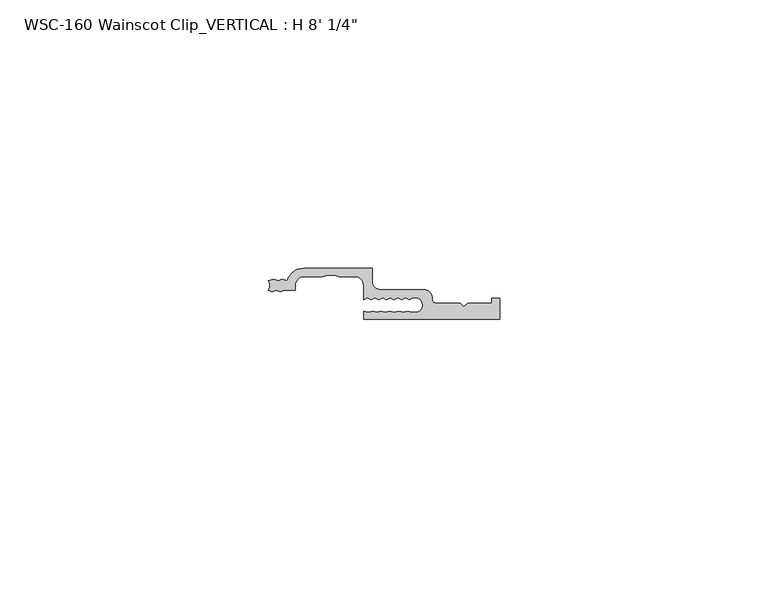
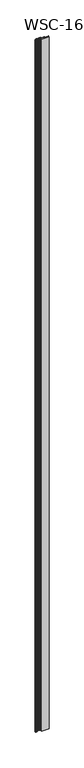
"""IFC4 building model written with IfcOpenShell, lengths in millimetres: proxy geometry."""

import ifcopenshell
import ifcopenshell.guid

model = None  # the IFC model being written
_history = None  # IfcOwnerHistory: only IFC2X3 demands one
_inside = {}  # id of a spatial element -> (the spatial element, [elements in it])
_under = {}  # id of a project, library or spatial element -> (it, [spatial elements below it])
_declared = {}  # id of a project -> (the project, [libraries it declares])
_typed = {}  # id of a type object -> (the type object, [elements of that type])
_made_of = {}  # id of a material, layer set ... -> (it, [elements and type objects made of it])


def new_model(schema):
    """Start an empty IFC model of exactly this schema.

    Asked for "IFC4X3", IfcOpenShell would pick the latest addendum, in which some entities
    have other attributes; the version numbers below select the first issue.
    IFC2X3 requires an IfcOwnerHistory on every rooted entity: one is made here for all.
    """
    global model, _history
    if schema == "IFC4X3":
        model = ifcopenshell.file(schema_version=(4, 3, 0, 0))
    else:
        model = ifcopenshell.file(schema=schema)
    _inside.clear()
    _under.clear()
    _declared.clear()
    _typed.clear()
    _made_of.clear()
    _history = None
    if model.schema == "IFC2X3":
        org = make("IfcOrganization", Name="unknown")
        user = make(
            "IfcPersonAndOrganization",
            ThePerson=make("IfcPerson", FamilyName="unknown"),
            TheOrganization=org,
        )
        app = make(
            "IfcApplication",
            ApplicationDeveloper=org,
            Version="unknown",
            ApplicationFullName="unknown",
            ApplicationIdentifier="unknown",
        )
        _history = make(
            "IfcOwnerHistory",
            OwningUser=user,
            OwningApplication=app,
            ChangeAction="ADDED",
            CreationDate=0,
        )
    return model


def make(cls, **values):
    """One entity of the class cls with the attributes given. An attribute that is None is left unset."""
    return model.create_entity(
        cls, **{name: value for name, value in values.items() if value is not None}
    )


def rooted(cls, **values):
    """An entity with a GlobalId (a new one), such as an element, a storey or a relation."""
    return make(cls, GlobalId=ifcopenshell.guid.new(), OwnerHistory=_history, **values)


def si_unit(unit_type, name, prefix=None):
    """IfcSIUnit, for example si_unit("LENGTHUNIT", "METRE", prefix="MILLI")."""
    return make("IfcSIUnit", UnitType=unit_type, Prefix=prefix, Name=name)


def assignment(units):
    """IfcUnitAssignment: the units of a project."""
    return None if units is None else make("IfcUnitAssignment", Units=units)


def point(xyz):
    """IfcCartesianPoint."""
    return None if xyz is None else make("IfcCartesianPoint", Coordinates=xyz)


def direction(xyz):
    """IfcDirection."""
    return None if xyz is None else make("IfcDirection", DirectionRatios=xyz)


def frame(location, z_axis=None, x_axis=None):
    """IfcAxis2Placement3D, a coordinate frame: its origin and axes. An axis left out is left unset."""
    return make(
        "IfcAxis2Placement3D",
        Location=point(location),
        Axis=direction(z_axis),
        RefDirection=direction(x_axis),
    )


def origin():
    """The frame at (0, 0, 0) with its axes left unset."""
    return frame((0.0, 0.0, 0.0))


def place(relative_to, where):
    """IfcLocalPlacement: puts the frame where relative to a parent placement (None: the world)."""
    return make(
        "IfcLocalPlacement", PlacementRelTo=relative_to, RelativePlacement=where
    )


def context(
    kind, dimensions, precision=None, world=None, true_north=None, identifier=None
):
    """IfcGeometricRepresentationContext, for example the 3D "Model" context."""
    return make(
        "IfcGeometricRepresentationContext",
        ContextIdentifier=identifier,
        ContextType=kind,
        CoordinateSpaceDimension=dimensions,
        Precision=precision,
        WorldCoordinateSystem=world,
        TrueNorth=true_north,
    )


def project(units=None, contexts=None):
    """IfcProject with its units and contexts."""
    return rooted(
        "IfcProject",
        Name="project",
        RepresentationContexts=contexts,
        UnitsInContext=assignment(units),
    )


def spatial(cls, under=None, at=None, **own):
    """A site, building, storey or space (cls), placed at a placement, below another one or the project."""
    s = rooted(cls, ObjectPlacement=at, **own)
    if under is not None:
        _under.setdefault(under.id(), (under, []))[1].append(s)
    return s


def polyline(points):
    """IfcPolyline through the points."""
    return make("IfcPolyline", Points=[point(p) for p in points])


def circle_curve(where, radius):
    """IfcCircle in the frame where."""
    return make("IfcCircle", Position=where, Radius=radius)


def shape(context_of_items, identifier, shape_type, items):
    """IfcShapeRepresentation: the items that make up one representation, for example the "Body"."""
    return make(
        "IfcShapeRepresentation",
        ContextOfItems=context_of_items,
        RepresentationIdentifier=identifier,
        RepresentationType=shape_type,
        Items=items,
    )


def source(mapping_origin, context_of_items, identifier, shape_type, items):
    """IfcRepresentationMap: a shape defined once, which mapped items show again and again."""
    return make(
        "IfcRepresentationMap",
        MappingOrigin=mapping_origin,
        MappedRepresentation=shape(context_of_items, identifier, shape_type, items),
    )


def transform(
    local_origin,
    x_axis=None,
    y_axis=None,
    z_axis=None,
    scale=None,
    scale2=None,
    scale3=None,
    uniform=True,
):
    """IfcCartesianTransformationOperator3D, or its non-uniform kind. x_axis, y_axis, z_axis: its Axis1, 2, 3."""
    if uniform:
        return make(
            "IfcCartesianTransformationOperator3D",
            Axis1=direction(x_axis),
            Axis2=direction(y_axis),
            LocalOrigin=point(local_origin),
            Scale=scale,
            Axis3=direction(z_axis),
        )
    return make(
        "IfcCartesianTransformationOperator3DnonUniform",
        Axis1=direction(x_axis),
        Axis2=direction(y_axis),
        LocalOrigin=point(local_origin),
        Scale=scale,
        Axis3=direction(z_axis),
        Scale2=scale2,
        Scale3=scale3,
    )


def mapped(mapping_source, mapping_target):
    """IfcMappedItem: shows the shape of a source again, moved by a transform."""
    return make(
        "IfcMappedItem", MappingSource=mapping_source, MappingTarget=mapping_target
    )


def made_of(thing, what):
    """Note that an element or type object is made of a material, layer set ...; save() writes the relation."""
    if what is not None:
        _made_of.setdefault(what.id(), (what, []))[1].append(thing)
    return thing


def element(
    cls,
    number,
    at=None,
    inside=None,
    cuts=None,
    type_object=None,
    material=None,
    context=None,
    identifier="Body",
    shape_type=None,
    held_by="IfcProductDefinitionShape",
    body=None,
    shapes=None,
    **own,
):
    """One element of the class cls, such as IfcWall. Its Tag is "e" and its number.

    at: its placement. inside: the storey or other place that contains it. cuts: it is an
    opening in that element (IfcRelVoidsElement). A single representation is given by context,
    identifier, shape_type and body (its items); several are given by shapes. held_by: the class
    of the entity that holds the representations. save() writes the other relations.
    """
    e = rooted(cls, Tag="e%d" % number, ObjectPlacement=at, **own)
    if body is not None:
        shapes = [shape(context, identifier, shape_type, body)]
    if shapes is not None:
        e.Representation = make(held_by, Representations=shapes)
    if inside is not None:
        _inside.setdefault(inside.id(), (inside, []))[1].append(e)
    if cuts is not None:
        rooted(
            "IfcRelVoidsElement", RelatingBuildingElement=cuts, RelatedOpeningElement=e
        )
    if type_object is not None:
        _typed.setdefault(type_object.id(), (type_object, []))[1].append(e)
    return made_of(e, material)


def aggregate(whole, parts):
    """IfcRelAggregates: a whole, such as a stair, and the parts it consists of."""
    return rooted("IfcRelAggregates", RelatingObject=whole, RelatedObjects=parts)


def save(model, path):
    """Write the relations noted so far, then the file.

    IfcRelAggregates (storeys below a building ...), IfcRelContainedInSpatialStructure (elements
    in a storey), IfcRelDefinesByType, IfcRelAssociatesMaterial and IfcRelDeclares: one each for
    every whole, place, type object, material and project.
    """
    for whole, parts in _under.values():
        aggregate(whole, parts)
    for where, things in _inside.values():
        rooted(
            "IfcRelContainedInSpatialStructure",
            RelatedElements=things,
            RelatingStructure=where,
        )
    for kind, things in _typed.values():
        rooted("IfcRelDefinesByType", RelatedObjects=things, RelatingType=kind)
    for what, things in _made_of.values():
        rooted("IfcRelAssociatesMaterial", RelatedObjects=things, RelatingMaterial=what)
    for by, libraries in _declared.values():
        rooted("IfcRelDeclares", RelatingContext=by, RelatedDefinitions=libraries)
    model.write(path)


def plane_surface(at):
    """IfcPlane: the flat surface through the origin of the frame at, square to its z axis."""
    return make("IfcPlane", Position=at)


def cylinder_surface(at, radius):
    """IfcCylindricalSurface: all points at the distance radius from the z axis of the frame at."""
    return make("IfcCylindricalSurface", Position=at, Radius=radius)


def revolved_surface(curve, axis_point, axis_direction):
    """IfcSurfaceOfRevolution: the curve turned about the line through axis_point along axis_direction."""
    return make(
        "IfcSurfaceOfRevolution",
        SweptCurve=make("IfcArbitraryOpenProfileDef", ProfileType="CURVE", Curve=curve),
        AxisPosition=make("IfcAxis1Placement", Location=point(axis_point), Axis=direction(axis_direction)),
    )


def advanced_brep(points, edges, surfaces, faces):
    """IfcAdvancedBrep: a solid bounded by faces that lie on surfaces and meet in shared edges.

    An edge is (start, end): straight between two places in points (the first is 0);
    or (start, end, curve); or (start, end, curve, False) where it runs against its curve.
    A face is (place in surfaces, loops), or (place, loops, False) where it looks against
    its surface's normal. A loop lists edges by number (the first is 1), with a minus sign
    where the edge is run from its end to its start. The first loop is the outer one.
    """
    corners = [point(p) for p in points]
    vertices = [make("IfcVertexPoint", VertexGeometry=c) for c in corners]
    made = []
    for start, end, *more in edges:
        made.append(
            make(
                "IfcEdgeCurve",
                EdgeStart=vertices[start],
                EdgeEnd=vertices[end],
                EdgeGeometry=more[0] if more else make("IfcPolyline", Points=[corners[start], corners[end]]),
                SameSense=more[1] if len(more) > 1 else True,
            )
        )
    hull = []
    for where, loops, *sense in faces:
        bounds = []
        for j, loop in enumerate(loops):
            ring = [make("IfcOrientedEdge", EdgeElement=made[abs(k) - 1], Orientation=k > 0) for k in loop]
            bounds.append(
                make(
                    "IfcFaceOuterBound" if j == 0 else "IfcFaceBound",
                    Bound=make("IfcEdgeLoop", EdgeList=ring),
                    Orientation=True,
                )
            )
        hull.append(make("IfcAdvancedFace", Bounds=bounds, FaceSurface=surfaces[where], SameSense=sense[0] if sense else True))
    return make("IfcAdvancedBrep", Outer=make("IfcClosedShell", CfsFaces=hull))


def proxy_b37ad6da(model_context):
    return source(origin(), model_context, "Body", "AdvancedBrep", [
        advanced_brep(
        [(19.3527196, -2.3858534, 2444.75), (19.3527196, 0.0, 2444.75), (6.6110997, 0.0, 2444.75), (3.5492465, -2.3349522, 2444.75), (2.567898, -2.0809522, 2444.75), (1.8230991, -2.3349522, 2444.75), (1.0576115, -2.0809522, 2444.75), (0.0, -2.3329752, 2444.75), (0.0013765, -4.1129522, 2444.75), (0.7668641, -4.3669522, 2444.75), (1.511663, -4.1129522, 2444.75), (2.2771506, -4.3669522, 2444.75), (3.0219495, -4.1129522, 2444.75), (5.0235997, -4.1129522, 2444.75), (5.0235997, -3.175, 2444.75), (6.6110997, -1.5875, 2444.75), (10.0469595, -1.5875, 2444.75), (11.1065513, -1.3035832, 2444.75), (12.4419045, -1.3035832, 2444.75), (13.2219595, -1.5875, 2444.75), (16.1904196, -1.5875, 2444.75), (17.7652196, -3.1623, 2444.75), (17.7673134, -5.8629506, 2444.75), (18.4751705, -5.5328714, 2444.75), (19.1830276, -5.8629506, 2444.75), (19.8908847, -5.5328714, 2444.75), (20.5987418, -5.8629506, 2444.75), (21.3065989, -5.5328714, 2444.75), (22.014456, -5.8629506, 2444.75), (22.7223131, -5.5328714, 2444.75), (23.4301702, -5.8629506, 2444.75), (24.1380273, -5.5328714, 2444.75), (24.8458843, -5.8629506, 2444.75), (25.5537414, -5.5328714, 2444.75), (26.2615985, -5.8629506, 2444.75), (26.9694556, -5.5328714, 2444.75), (27.8534345, -5.5328714, 2444.75), (27.7345587, -8.2409572, 2444.75), (26.811414, -8.2409572, 2444.75), (26.0480054, -8.050618, 2444.75), (25.2570907, -8.2409572, 2444.75), (24.3616154, -8.050618, 2444.75), (23.4471827, -8.2409572, 2444.75), (22.6837742, -8.050618, 2444.75), (21.7693414, -8.2409572, 2444.75), (21.0059329, -8.050618, 2444.75), (20.2150181, -8.2409572, 2444.75), (19.4516096, -8.050618, 2444.75), (18.6606948, -8.2409572, 2444.75), (17.7652196, -8.050618, 2444.75), (17.7652196, -9.525, 2444.75), (43.1624591, -9.525, 2444.75), (43.1624591, -5.6374865, 2444.75), (41.6296977, -5.6374865, 2444.75), (41.6296977, -6.5278, 2444.75), (37.1791349, -6.5278, 2444.75), (36.4883201, -7.2186149, 2444.75), (35.7975052, -6.5278, 2444.75), (31.3376051, -6.5278, 2444.75), (30.5425851, -5.73278, 2444.75), (28.9644224, -3.9733534, 2444.75), (20.9402196, -3.9733534, 2444.75), (19.3527196, -2.3858534, 0.0), (20.9402196, -3.9733534, 0.0), (28.9644224, -3.9733534, 0.0), (30.5425851, -5.73278, 0.0), (31.3376051, -6.5278, 0.0), (35.7975052, -6.5278, 0.0), (36.4883201, -7.2186149, 0.0), (37.1791349, -6.5278, 0.0), (41.6296977, -6.5278, 0.0), (41.6296977, -5.6374865, 0.0), (43.1624591, -5.6374865, 0.0), (43.1624591, -9.525, 0.0), (17.7652196, -9.525, 0.0), (17.7652196, -8.050618, 0.0), (18.6606948, -8.2409572, 0.0), (19.4516096, -8.050618, 0.0), (20.2150181, -8.2409572, 0.0), (21.0059329, -8.050618, 0.0), (21.7693414, -8.2409572, 0.0), (22.6837742, -8.050618, 0.0), (23.4471827, -8.2409572, 0.0), (24.3616154, -8.050618, 0.0), (25.2570907, -8.2409572, 0.0), (26.0480054, -8.050618, 0.0), (26.811414, -8.2409572, 0.0), (27.7345587, -8.2409572, 0.0), (27.8534345, -5.5328714, 0.0), (26.9694556, -5.5328714, 0.0), (26.2615985, -5.8629506, 0.0), (25.5537414, -5.5328714, 0.0), (24.8458843, -5.8629506, 0.0), (24.1380273, -5.5328714, 0.0), (23.4301702, -5.8629506, 0.0), (22.7223131, -5.5328714, 0.0), (22.014456, -5.8629506, 0.0), (21.3065989, -5.5328714, 0.0), (20.5987418, -5.8629506, 0.0), (19.8908847, -5.5328714, 0.0), (19.1830276, -5.8629506, 0.0), (18.4751705, -5.5328714, 0.0), (17.7673134, -5.8629506, 0.0), (17.7673134, -3.1623, 0.0), (16.1904196, -1.5875, 0.0), (13.2219595, -1.5875, 0.0), (12.4419045, -1.3035832, 0.0), (11.1065513, -1.3035832, 0.0), (10.0469595, -1.5875, 0.0), (6.6110997, -1.5875, 0.0), (5.0235997, -3.175, 0.0), (5.0235997, -4.1129522, 0.0), (3.0219495, -4.1129522, 0.0), (2.2771506, -4.3669522, 0.0), (1.511663, -4.1129522, 0.0), (0.7668641, -4.3669522, 0.0), (0.0013765, -4.1129522, 0.0), (0.0, -2.3329752, 0.0), (1.0576115, -2.0809522, 0.0), (1.8230991, -2.3349522, 0.0), (2.567898, -2.0809522, 0.0), (3.5492465, -2.3349522, 0.0), (6.6110997, 0.0, 0.0), (19.3527196, 0.0, 0.0)],
        [
            (0, 1),
            (1, 2),
            (2, 3, circle_curve(frame((6.6110997, -3.175, 2444.75), z_axis=(0.0, 0.0, 1.0), x_axis=(0.0, 1.0, 0.0)), 3.175)),
            (3, 4),
            (4, 5),
            (5, 6),
            (6, 7),
            (7, 8, circle_curve(frame((-1.2776108, -3.2239522, 2444.75), z_axis=(0.0, 0.0, -1.0), x_axis=(0.0, 1.0, 0.0)), 1.5576038)),
            (8, 9),
            (9, 10),
            (10, 11),
            (11, 12),
            (12, 13),
            (13, 14),
            (14, 15, circle_curve(frame((6.6110997, -3.175, 2444.75), z_axis=(0.0, 0.0, -1.0), x_axis=(0.0, 1.0, 0.0)), 1.5875)),
            (15, 16),
            (16, 17),
            (17, 18),
            (18, 19),
            (19, 20),
            (20, 21, circle_curve(frame((16.1904196, -3.1623, 2444.75), z_axis=(0.0, 0.0, -1.0), x_axis=(0.0, 1.0, 0.0)), 1.5748)),
            (21, 22),
            (22, 23),
            (23, 24),
            (24, 25),
            (25, 26),
            (26, 27),
            (27, 28),
            (28, 29),
            (29, 30),
            (30, 31),
            (31, 32),
            (32, 33),
            (33, 34),
            (34, 35),
            (35, 36),
            (36, 37, circle_curve(frame((27.3609593, -6.8679054, 2444.75), z_axis=(0.0, 0.0, -1.0), x_axis=(0.0, 1.0, 0.0)), 1.4229714)),
            (37, 38),
            (38, 39),
            (39, 40),
            (40, 41),
            (41, 42),
            (42, 43),
            (43, 44),
            (44, 45),
            (45, 46),
            (46, 47),
            (47, 48),
            (48, 49),
            (49, 50),
            (50, 51),
            (51, 52),
            (52, 53),
            (53, 54),
            (54, 55),
            (55, 56),
            (56, 57),
            (57, 58),
            (58, 59, circle_curve(frame((31.3376051, -5.73278, 2444.75), z_axis=(0.0, 0.0, -1.0), x_axis=(0.0, 1.0, 0.0)), 0.79502)),
            (59, 60, circle_curve(frame((28.9644224, -5.5608534, 2444.75), z_axis=(0.0, 0.0, 1.0), x_axis=(0.0, 1.0, 0.0)), 1.5875)),
            (60, 61),
            (61, 0, circle_curve(frame((20.9402196, -2.3858534, 2444.75), z_axis=(0.0, 0.0, -1.0), x_axis=(0.0, 1.0, 0.0)), 1.5875)),
            (62, 63, circle_curve(frame((20.9402196, -2.3858534, 0.0), z_axis=(0.0, 0.0, 1.0), x_axis=(0.0, 1.0, 0.0)), 1.5875)),
            (63, 64),
            (64, 65, circle_curve(frame((28.9644224, -5.5608534, 0.0), z_axis=(0.0, 0.0, -1.0), x_axis=(0.0, 1.0, 0.0)), 1.5875)),
            (65, 66, circle_curve(frame((31.3376051, -5.73278, 0.0), z_axis=(0.0, 0.0, 1.0), x_axis=(0.0, 1.0, 0.0)), 0.79502)),
            (66, 67),
            (67, 68),
            (68, 69),
            (69, 70),
            (70, 71),
            (71, 72),
            (72, 73),
            (73, 74),
            (74, 75),
            (75, 76),
            (76, 77),
            (77, 78),
            (78, 79),
            (79, 80),
            (80, 81),
            (81, 82),
            (82, 83),
            (83, 84),
            (84, 85),
            (85, 86),
            (86, 87),
            (87, 88, circle_curve(frame((27.3609593, -6.8679054, 0.0), z_axis=(0.0, 0.0, 1.0), x_axis=(0.0, 1.0, 0.0)), 1.4229714)),
            (88, 89),
            (89, 90),
            (90, 91),
            (91, 92),
            (92, 93),
            (93, 94),
            (94, 95),
            (95, 96),
            (96, 97),
            (97, 98),
            (98, 99),
            (99, 100),
            (100, 101),
            (101, 102),
            (102, 103),
            (103, 104, circle_curve(frame((16.1904196, -3.1623, 0.0), z_axis=(0.0, 0.0, 1.0), x_axis=(0.0, 1.0, 0.0)), 1.5748)),
            (104, 105),
            (105, 106),
            (106, 107),
            (107, 108),
            (108, 109),
            (109, 110, circle_curve(frame((6.6110997, -3.175, 0.0), z_axis=(0.0, 0.0, 1.0), x_axis=(0.0, 1.0, 0.0)), 1.5875)),
            (110, 111),
            (111, 112),
            (112, 113),
            (113, 114),
            (114, 115),
            (115, 116),
            (116, 117, circle_curve(frame((-1.2776108, -3.2239522, 0.0), z_axis=(0.0, 0.0, 1.0), x_axis=(0.0, 1.0, 0.0)), 1.5576038)),
            (117, 118),
            (118, 119),
            (119, 120),
            (120, 121),
            (121, 122, circle_curve(frame((6.6110997, -3.175, 0.0), z_axis=(0.0, 0.0, -1.0), x_axis=(0.0, 1.0, 0.0)), 3.175)),
            (122, 123),
            (123, 62),
            (0, 62),
            (123, 1),
            (122, 2),
            (121, 3),
            (120, 4),
            (119, 5),
            (118, 6),
            (117, 7),
            (116, 8),
            (115, 9),
            (114, 10),
            (113, 11),
            (112, 12),
            (111, 13),
            (110, 14),
            (109, 15),
            (108, 16),
            (107, 17),
            (106, 18),
            (105, 19),
            (104, 20),
            (103, 21),
            (102, 22),
            (101, 23),
            (100, 24),
            (99, 25),
            (98, 26),
            (97, 27),
            (96, 28),
            (95, 29),
            (94, 30),
            (93, 31),
            (92, 32),
            (91, 33),
            (90, 34),
            (89, 35),
            (88, 36),
            (87, 37),
            (86, 38),
            (85, 39),
            (84, 40),
            (83, 41),
            (82, 42),
            (81, 43),
            (80, 44),
            (79, 45),
            (78, 46),
            (77, 47),
            (76, 48),
            (75, 49),
            (74, 50),
            (73, 51),
            (72, 52),
            (71, 53),
            (70, 54),
            (69, 55),
            (68, 56),
            (67, 57),
            (66, 58),
            (65, 59),
            (64, 60),
            (63, 61),
        ],
        [
            plane_surface(frame((19.3527196, -2.3858534, 2444.75), z_axis=(0.0, 0.0, 1.0), x_axis=(0.0, 1.0, 0.0))),
            plane_surface(frame((19.3527196, -2.3858534, 0.0), z_axis=(0.0, 0.0, -1.0), x_axis=(0.0, -1.0, 0.0))),
            plane_surface(frame((19.3527196, -2.3858534, 2444.75), z_axis=(1.0, 0.0, 0.0), x_axis=(0.0, 0.0, -1.0))),
            plane_surface(frame((19.3527196, 0.0, 2444.75), z_axis=(0.0, 1.0, 0.0), x_axis=(0.0, 0.0, -1.0))),
            cylinder_surface(frame((6.6110997, -3.175, 0.0), z_axis=(0.0, 0.0, 1.0), x_axis=(0.0, 1.0, 0.0)), 3.175),
            plane_surface(frame((3.5492465, -2.3349522, 2444.75), z_axis=(0.25057050593808355, 0.9680983532440972, 0.0), x_axis=(0.0, 0.0, -1.0))),
            plane_surface(frame((2.567898, -2.0809522, 2444.75), z_axis=(-0.3227778502571081, 0.9464747536957339, 0.0), x_axis=(0.0, 0.0, -1.0))),
            plane_surface(frame((1.8230991, -2.3349522, 2444.75), z_axis=(0.3149302039794361, 0.949114833211172, 0.0), x_axis=(0.0, 0.0, -1.0))),
            plane_surface(frame((1.0576115, -2.0809522, 2444.75), z_axis=(-0.231803891648194, 0.9727625382470032, 0.0), x_axis=(0.0, 0.0, -1.0))),
            revolved_surface(polyline([(-1.2776108, -1.6663483999999997, 0.0), (-1.2776108, -1.6663483999999997, 2444.75)]), (-1.2776108, -3.2239522, 0.0), (0.0, 0.0, -1.0)),
            plane_surface(frame((0.0013765, -4.1129522, 2444.75), z_axis=(-0.3149302039794331, -0.949114833211173, 0.0), x_axis=(0.0, 0.0, -1.0))),
            plane_surface(frame((0.7668641, -4.3669522, 2444.75), z_axis=(0.3227778502571087, -0.9464747536957336, 0.0), x_axis=(0.0, 0.0, -1.0))),
            plane_surface(frame((1.511663, -4.1129522, 2444.75), z_axis=(-0.31493020397943033, -0.949114833211174, 0.0), x_axis=(0.0, 0.0, -1.0))),
            plane_surface(frame((2.2771506, -4.3669522, 2444.75), z_axis=(0.3227778502571061, -0.9464747536957345, 0.0), x_axis=(0.0, 0.0, -1.0))),
            plane_surface(frame((3.0219495, -4.1129522, 2444.75), z_axis=(0.0, -1.0, 0.0), x_axis=(0.0, 0.0, -1.0))),
            plane_surface(frame((5.0235997, -4.1129522, 2444.75), z_axis=(1.0, 0.0, 0.0), x_axis=(0.0, 0.0, -1.0))),
            revolved_surface(polyline([(6.6110997, -1.5875, 0.0), (6.6110997, -1.5875, 2444.75)]), (6.6110997, -3.175, 0.0), (0.0, 0.0, -1.0)),
            plane_surface(frame((6.6110997, -1.5875, 2444.75), z_axis=(0.0, -1.0, 0.0), x_axis=(0.0, 0.0, -1.0))),
            plane_surface(frame((10.0469595, -1.5875, 2444.75), z_axis=(0.2588190451025237, -0.9659258262890675, 0.0), x_axis=(0.0, 0.0, -1.0))),
            plane_surface(frame((11.1065513, -1.3035832, 2444.75), z_axis=(0.0, -1.0, 0.0), x_axis=(0.0, 0.0, -1.0))),
            plane_surface(frame((12.4419045, -1.3035832, 2444.75), z_axis=(-0.3420201433256663, -0.9396926207859093, 0.0), x_axis=(0.0, 0.0, -1.0))),
            plane_surface(frame((13.2219595, -1.5875, 2444.75), z_axis=(0.0, -1.0, 0.0), x_axis=(0.0, 0.0, -1.0))),
            revolved_surface(polyline([(16.1904196, -1.5875000000000001, 0.0), (16.1904196, -1.5875000000000001, 2444.75)]), (16.1904196, -3.1623, 0.0), (0.0, 0.0, -1.0)),
            plane_surface(frame((17.7673134, -3.1623, 2444.75), z_axis=(-1.0, 0.0, 0.0), x_axis=(0.0, 0.0, -1.0))),
            plane_surface(frame((17.7673134, -5.8629506, 2444.75), z_axis=(0.42261826174070705, -0.9063077870366465, 0.0), x_axis=(0.0, 0.0, -1.0))),
            plane_surface(frame((18.4751705, -5.5328714, 2444.75), z_axis=(-0.42261826174069606, -0.9063077870366516, 0.0), x_axis=(0.0, 0.0, -1.0))),
            plane_surface(frame((19.1830276, -5.8629506, 2444.75), z_axis=(0.4226182617407084, -0.9063077870366458, 0.0), x_axis=(0.0, 0.0, -1.0))),
            plane_surface(frame((19.8908847, -5.5328714, 2444.75), z_axis=(-0.4226182617406927, -0.9063077870366532, 0.0), x_axis=(0.0, 0.0, -1.0))),
            plane_surface(frame((20.5987418, -5.8629506, 2444.75), z_axis=(0.422618261740703, -0.9063077870366484, 0.0), x_axis=(0.0, 0.0, -1.0))),
            plane_surface(frame((21.3065989, -5.5328714, 2444.75), z_axis=(-0.4226182617406906, -0.9063077870366542, 0.0), x_axis=(0.0, 0.0, -1.0))),
            plane_surface(frame((22.014456, -5.8629506, 2444.75), z_axis=(0.4226182617407052, -0.9063077870366474, 0.0), x_axis=(0.0, 0.0, -1.0))),
            plane_surface(frame((22.7223131, -5.5328714, 2444.75), z_axis=(-0.4226182617406891, -0.9063077870366548, 0.0), x_axis=(0.0, 0.0, -1.0))),
            plane_surface(frame((23.4301702, -5.8629506, 2444.75), z_axis=(0.4226182617407021, -0.9063077870366487, 0.0), x_axis=(0.0, 0.0, -1.0))),
            plane_surface(frame((24.1380273, -5.5328714, 2444.75), z_axis=(-0.422618261740684, -0.9063077870366572, 0.0), x_axis=(0.0, 0.0, -1.0))),
            plane_surface(frame((24.8458843, -5.8629506, 2444.75), z_axis=(0.4226182617407038, -0.9063077870366479, 0.0), x_axis=(0.0, 0.0, -1.0))),
            plane_surface(frame((25.5537414, -5.5328714, 2444.75), z_axis=(-0.42261826174068207, -0.906307787036658, 0.0), x_axis=(0.0, 0.0, -1.0))),
            plane_surface(frame((26.2615985, -5.8629506, 2444.75), z_axis=(0.4226182617407041, -0.9063077870366478, 0.0), x_axis=(0.0, 0.0, -1.0))),
            plane_surface(frame((26.9694556, -5.5328714, 2444.75), z_axis=(0.0, -1.0, 0.0), x_axis=(0.0, 0.0, -1.0))),
            revolved_surface(polyline([(27.3609593, -5.444934, 0.0), (27.3609593, -5.444934, 2444.75)]), (27.3609593, -6.8679054, 0.0), (0.0, 0.0, -1.0)),
            plane_surface(frame((27.7345587, -8.2409572, 2444.75), z_axis=(0.0, 1.0, 0.0), x_axis=(0.0, 0.0, -1.0))),
            plane_surface(frame((26.811414, -8.2409572, 2444.75), z_axis=(0.24192189559966581, 0.970295726275997, 0.0), x_axis=(0.0, 0.0, -1.0))),
            plane_surface(frame((26.0480054, -8.050618, 2444.75), z_axis=(-0.23397683537419708, 0.9722421717392616, 0.0), x_axis=(0.0, 0.0, -1.0))),
            plane_surface(frame((25.2570907, -8.2409572, 2444.75), z_axis=(0.2079116908177623, 0.978147600733805, 0.0), x_axis=(0.0, 0.0, -1.0))),
            plane_surface(frame((24.3616154, -8.050618, 2444.75), z_axis=(-0.2037821908592562, 0.9790162504721777, 0.0), x_axis=(0.0, 0.0, -1.0))),
            plane_surface(frame((23.4471827, -8.2409572, 2444.75), z_axis=(0.2419218955996582, 0.9702957262759988, 0.0), x_axis=(0.0, 0.0, -1.0))),
            plane_surface(frame((22.6837742, -8.050618, 2444.75), z_axis=(-0.20378219085925364, 0.9790162504721782, 0.0), x_axis=(0.0, 0.0, -1.0))),
            plane_surface(frame((21.7693414, -8.2409572, 2444.75), z_axis=(0.24192189559966454, 0.9702957262759974, 0.0), x_axis=(0.0, 0.0, -1.0))),
            plane_surface(frame((21.0059329, -8.050618, 2444.75), z_axis=(-0.23397683537419686, 0.9722421717392618, 0.0), x_axis=(0.0, 0.0, -1.0))),
            plane_surface(frame((20.2150181, -8.2409572, 2444.75), z_axis=(0.24192189559966845, 0.9702957262759964, 0.0), x_axis=(0.0, 0.0, -1.0))),
            plane_surface(frame((19.4516096, -8.050618, 2444.75), z_axis=(-0.23397683537419697, 0.9722421717392616, 0.0), x_axis=(0.0, 0.0, -1.0))),
            plane_surface(frame((18.6606948, -8.2409572, 2444.75), z_axis=(0.2079116908177584, 0.9781476007338059, 0.0), x_axis=(0.0, 0.0, -1.0))),
            plane_surface(frame((17.7652196, -8.050618, 2444.75), z_axis=(-1.0, 0.0, 0.0), x_axis=(0.0, 0.0, -1.0))),
            plane_surface(frame((17.7652196, -9.525, 2444.75), z_axis=(0.0, -1.0, 0.0), x_axis=(0.0, 0.0, -1.0))),
            plane_surface(frame((43.1624591, -9.525, 2444.75), z_axis=(1.0, 0.0, 0.0), x_axis=(0.0, 0.0, -1.0))),
            plane_surface(frame((43.1624591, -5.6374865, 2444.75), z_axis=(0.0, 1.0, 0.0), x_axis=(0.0, 0.0, -1.0))),
            plane_surface(frame((41.6296977, -5.6374865, 2444.75), z_axis=(-1.0, 0.0, 0.0), x_axis=(0.0, 0.0, -1.0))),
            plane_surface(frame((41.6296977, -6.5278, 2444.75), z_axis=(0.0, 1.0, 0.0), x_axis=(0.0, 0.0, -1.0))),
            plane_surface(frame((37.1791349, -6.5278, 2444.75), z_axis=(-0.7071067811864907, 0.7071067811866044, 0.0), x_axis=(0.0, 0.0, -1.0))),
            plane_surface(frame((36.4883201, -7.2186149, 2444.75), z_axis=(0.7071067811866688, 0.7071067811864263, 0.0), x_axis=(0.0, 0.0, -1.0))),
            plane_surface(frame((35.7975052, -6.5278, 2444.75), z_axis=(0.0, 1.0, 0.0), x_axis=(0.0, 0.0, -1.0))),
            revolved_surface(polyline([(31.3376051, -4.93776, 0.0), (31.3376051, -4.93776, 2444.75)]), (31.3376051, -5.73278, 0.0), (0.0, 0.0, -1.0)),
            cylinder_surface(frame((28.9644224, -5.5608534, 0.0), z_axis=(0.0, 0.0, 1.0), x_axis=(0.0, 1.0, 0.0)), 1.5875),
            plane_surface(frame((28.9644224, -3.9733534, 2444.75), z_axis=(0.0, 1.0, 0.0), x_axis=(0.0, 0.0, -1.0))),
            revolved_surface(polyline([(20.9402196, -0.7983533999999999, 0.0), (20.9402196, -0.7983533999999999, 2444.75)]), (20.9402196, -2.3858534, 0.0), (0.0, 0.0, -1.0)),
        ],
        [
            (0, [[1, 2, 3, 4, 5, 6, 7, 8, 9, 10, 11, 12, 13, 14, 15, 16, 17, 18, 19, 20, 21, 22, 23, 24, 25, 26, 27, 28, 29, 30, 31, 32, 33, 34, 35, 36, 37, 38, 39, 40, 41, 42, 43, 44, 45, 46, 47, 48, 49, 50, 51, 52, 53, 54, 55, 56, 57, 58, 59, 60, 61, 62]]),
            (1, [[63, 64, 65, 66, 67, 68, 69, 70, 71, 72, 73, 74, 75, 76, 77, 78, 79, 80, 81, 82, 83, 84, 85, 86, 87, 88, 89, 90, 91, 92, 93, 94, 95, 96, 97, 98, 99, 100, 101, 102, 103, 104, 105, 106, 107, 108, 109, 110, 111, 112, 113, 114, 115, 116, 117, 118, 119, 120, 121, 122, 123, 124]]),
            (2, [[-1, 125, -124, 126]]),
            (3, [[-2, -126, -123, 127]]),
            (4, [[-3, -127, -122, 128]]),
            (5, [[-4, -128, -121, 129]]),
            (6, [[-5, -129, -120, 130]]),
            (7, [[-6, -130, -119, 131]]),
            (8, [[-7, -131, -118, 132]]),
            (9, [[-8, -132, -117, 133]]),
            (10, [[-9, -133, -116, 134]]),
            (11, [[-10, -134, -115, 135]]),
            (12, [[-11, -135, -114, 136]]),
            (13, [[-12, -136, -113, 137]]),
            (14, [[-13, -137, -112, 138]]),
            (15, [[-14, -138, -111, 139]]),
            (16, [[-15, -139, -110, 140]]),
            (17, [[-16, -140, -109, 141]]),
            (18, [[-17, -141, -108, 142]]),
            (19, [[-18, -142, -107, 143]]),
            (20, [[-19, -143, -106, 144]]),
            (21, [[-20, -144, -105, 145]]),
            (22, [[-21, -145, -104, 146]]),
            (23, [[-22, -146, -103, 147]]),
            (24, [[-23, -147, -102, 148]]),
            (25, [[-24, -148, -101, 149]]),
            (26, [[-25, -149, -100, 150]]),
            (27, [[-26, -150, -99, 151]]),
            (28, [[-27, -151, -98, 152]]),
            (29, [[-28, -152, -97, 153]]),
            (30, [[-29, -153, -96, 154]]),
            (31, [[-30, -154, -95, 155]]),
            (32, [[-31, -155, -94, 156]]),
            (33, [[-32, -156, -93, 157]]),
            (34, [[-33, -157, -92, 158]]),
            (35, [[-34, -158, -91, 159]]),
            (36, [[-35, -159, -90, 160]]),
            (37, [[-36, -160, -89, 161]]),
            (38, [[-37, -161, -88, 162]]),
            (39, [[-38, -162, -87, 163]]),
            (40, [[-39, -163, -86, 164]]),
            (41, [[-40, -164, -85, 165]]),
            (42, [[-41, -165, -84, 166]]),
            (43, [[-42, -166, -83, 167]]),
            (44, [[-43, -167, -82, 168]]),
            (45, [[-44, -168, -81, 169]]),
            (46, [[-45, -169, -80, 170]]),
            (47, [[-46, -170, -79, 171]]),
            (48, [[-47, -171, -78, 172]]),
            (49, [[-48, -172, -77, 173]]),
            (50, [[-49, -173, -76, 174]]),
            (51, [[-50, -174, -75, 175]]),
            (52, [[-51, -175, -74, 176]]),
            (53, [[-52, -176, -73, 177]]),
            (54, [[-53, -177, -72, 178]]),
            (55, [[-54, -178, -71, 179]]),
            (56, [[-55, -179, -70, 180]]),
            (57, [[-56, -180, -69, 181]]),
            (58, [[-57, -181, -68, 182]]),
            (59, [[-58, -182, -67, 183]]),
            (60, [[-59, -183, -66, 184]]),
            (61, [[-60, -184, -65, 185]]),
            (62, [[-61, -185, -64, 186]]),
            (63, [[-62, -186, -63, -125]]),
        ],
    ),
    ])


if __name__ == "__main__":
    model = new_model("IFC4")
    model_context = context("Model", 3, world=origin())
    ifc_project = project(units=[si_unit("LENGTHUNIT", "METRE", prefix="MILLI")], contexts=[model_context])
    site = spatial("IfcSite", under=ifc_project)
    building = spatial("IfcBuilding", under=site)
    placement = place(None, origin())
    proxy_shape = proxy_b37ad6da(model_context)
    element("IfcBuildingElementProxy", 1, Name="WSC-160 Wainscot Clip_VERTICAL : H 8' 1/4\"", ObjectType="WSC-160 Wainscot Clip_VERTICAL : H 8' 1/4\"", at=placement, inside=building, context=model_context, shape_type="MappedRepresentation", body=[
        mapped(proxy_shape, transform((0.0, 0.0, 0.0), x_axis=(1.0, 0.0, 0.0), y_axis=(0.0, 1.0, 0.0), z_axis=(0.0, 0.0, 1.0))),
    ])
    save(model, "model.ifc")
